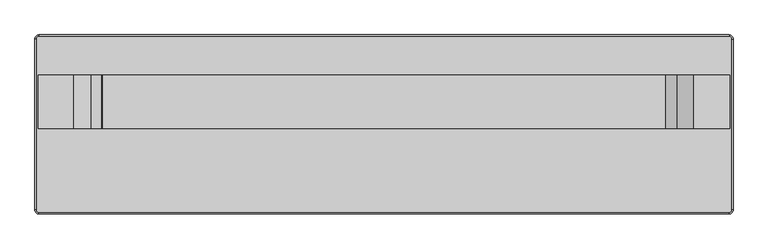
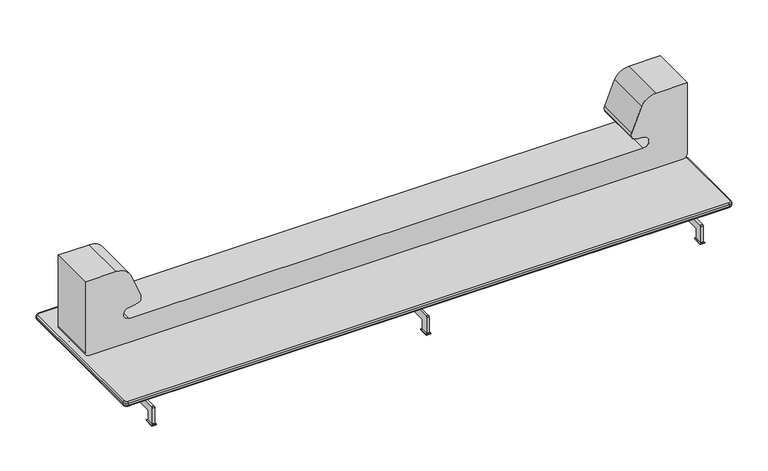
"""IFC4 building model written with IfcOpenShell, lengths in millimetres: furniture geometry."""

from ifc_helpers import new_model, si_unit, point, frame, frame_2d, origin, origin_with_axes, place, context, project, spatial, polyline, circle_curve, ellipse_curve, trimmed, segment, composite_curve, outline, extrude, source, transform, mapped, element, save
from ifc_brep_helpers import plane_surface, cylinder_surface, revolved_surface, advanced_brep


def furniture_a4d07862(model_context):
    return source(origin(), model_context, "Body", "SolidModel", [
        extrude(outline(polyline([(12.7307251, 403.9949168), (12.7307251, 352.0034294), (-11.2692504, 352.0034294), (-11.2692504, 403.9949168), (12.7307251, 403.9949168)])), origin_with_axes(), (0.0, 0.0, 1.0), 5.0),
        extrude(outline(polyline([(12.7307251, -417.9777726), (-11.2692504, -417.9777726), (-11.2692504, -365.9862852), (12.7307251, -365.9862852), (12.7307251, -417.9777726)])), origin_with_axes(), (0.0, 0.0, 1.0), 5.0),
        extrude(outline(composite_curve([segment(trimmed(circle_curve(frame_2d((-276.3620737, 104.9874953)), 5.0), [point((-276.3620737, 99.9874953))], [point((-271.3620737, 104.9874953))], True, "CARTESIAN"), True, "CONTINUOUS"), segment(polyline([(-271.3620737, 104.9874953), (-271.3620737, 158.854696), (238.6351829, 158.854696), (238.6351829, 104.9874953)]), True, "CONTINUOUS"), segment(trimmed(circle_curve(frame_2d((243.6351829, 104.9874953)), 5.0), [point((238.6351829, 104.9874953))], [point((243.6351829, 99.9874953))], True, "CARTESIAN"), True, "CONTINUOUS"), segment(polyline([(243.6351829, 99.9874953), (393.6413141, 99.9874953)]), True, "CONTINUOUS"), segment(trimmed(circle_curve(frame_2d((393.6413141, 94.9874953)), 5.0), [point((393.6413141, 99.9874953))], [point((398.6413141, 94.9874953))], False, "CARTESIAN"), True, "CONTINUOUS"), segment(polyline([(398.6413141, 94.9874953), (398.6413141, 5.0)]), True, "CONTINUOUS"), segment(trimmed(circle_curve(frame_2d((393.6413141, 5.0)), 5.0), [point((398.6413141, 5.0))], [point((393.6413141, 0.0))], False, "CARTESIAN"), True, "CONTINUOUS"), segment(polyline([(393.6413141, 0.0), (363.6413141, 0.0)]), True, "CONTINUOUS"), segment(trimmed(circle_curve(frame_2d((363.6413141, 5.0)), 5.0), [point((363.6413141, 0.0))], [point((358.6413141, 5.0))], False, "CARTESIAN"), True, "CONTINUOUS"), segment(polyline([(358.6413141, 5.0), (358.6413141, 54.9883827)]), True, "CONTINUOUS"), segment(trimmed(circle_curve(frame_2d((353.6413141, 54.9883827)), 5.0), [point((358.6413141, 54.9883827))], [point((353.6413141, 59.9883827))], True, "CARTESIAN"), True, "CONTINUOUS"), segment(polyline([(353.6413141, 59.9883827), (-366.9807583, 59.9883827)]), True, "CONTINUOUS"), segment(trimmed(circle_curve(frame_2d((-366.9807583, 54.9883827)), 5.0), [point((-366.9807583, 59.9883827))], [point((-371.9807583, 54.9883827))], True, "CARTESIAN"), True, "CONTINUOUS"), segment(polyline([(-371.9807583, 54.9883827), (-371.9807583, 5.0)]), True, "CONTINUOUS"), segment(trimmed(circle_curve(frame_2d((-376.9807583, 5.0)), 5.0), [point((-371.9807583, 5.0))], [point((-376.9807583, 0.0))], False, "CARTESIAN"), True, "CONTINUOUS"), segment(polyline([(-376.9807583, 0.0), (-406.9832995, 0.0)]), True, "CONTINUOUS"), segment(trimmed(circle_curve(frame_2d((-406.9832995, 5.0)), 5.0), [point((-406.9832995, 0.0))], [point((-411.9832995, 5.0))], False, "CARTESIAN"), True, "CONTINUOUS"), segment(polyline([(-411.9832995, 5.0), (-411.9832995, 94.9874953)]), True, "CONTINUOUS"), segment(trimmed(circle_curve(frame_2d((-406.9832995, 94.9874953)), 5.0), [point((-411.9832995, 94.9874953))], [point((-406.9832995, 99.9874953))], False, "CARTESIAN"), True, "CONTINUOUS"), segment(polyline([(-406.9832995, 99.9874953), (-276.3620737, 99.9874953)]), True, "CONTINUOUS")], self_intersect=False)), frame((-5.2692627, 0.0, 0.0), z_axis=(1.0, 0.0, 0.0), x_axis=(0.0, 1.0, 0.0)), (0.0, 0.0, 1.0), 12.0),
        extrude(outline(polyline([(-1476.6700612, 403.9949168), (-1452.6700856, 403.9949168), (-1452.6700856, 352.0034294), (-1476.6700612, 352.0034294), (-1476.6700612, 403.9949168)])), origin_with_axes(), (0.0, 0.0, 1.0), 5.0),
        extrude(outline(polyline([(-1476.6700612, -417.9777726), (-1476.6700612, -365.9862852), (-1452.6700856, -365.9862852), (-1452.6700856, -417.9777726), (-1476.6700612, -417.9777726)])), origin_with_axes(), (0.0, 0.0, 1.0), 5.0),
        extrude(outline(composite_curve([segment(trimmed(circle_curve(frame_2d((-276.3620737, 104.9874953)), 5.0), [point((-276.3620737, 99.9874953))], [point((-271.3620737, 104.9874953))], True, "CARTESIAN"), True, "CONTINUOUS"), segment(polyline([(-271.3620737, 104.9874953), (-271.3620737, 158.854696), (238.6351829, 158.854696), (238.6351829, 104.9874953)]), True, "CONTINUOUS"), segment(trimmed(circle_curve(frame_2d((243.6351829, 104.9874953)), 5.0), [point((238.6351829, 104.9874953))], [point((243.6351829, 99.9874953))], True, "CARTESIAN"), True, "CONTINUOUS"), segment(polyline([(243.6351829, 99.9874953), (393.6413141, 99.9874953)]), True, "CONTINUOUS"), segment(trimmed(circle_curve(frame_2d((393.6413141, 94.9874953)), 5.0), [point((393.6413141, 99.9874953))], [point((398.6413141, 94.9874953))], False, "CARTESIAN"), True, "CONTINUOUS"), segment(polyline([(398.6413141, 94.9874953), (398.6413141, 5.0)]), True, "CONTINUOUS"), segment(trimmed(circle_curve(frame_2d((393.6413141, 5.0)), 5.0), [point((398.6413141, 5.0))], [point((393.6413141, 0.0))], False, "CARTESIAN"), True, "CONTINUOUS"), segment(polyline([(393.6413141, 0.0), (363.6413141, 0.0)]), True, "CONTINUOUS"), segment(trimmed(circle_curve(frame_2d((363.6413141, 5.0)), 5.0), [point((363.6413141, 0.0))], [point((358.6413141, 5.0))], False, "CARTESIAN"), True, "CONTINUOUS"), segment(polyline([(358.6413141, 5.0), (358.6413141, 54.9883827)]), True, "CONTINUOUS"), segment(trimmed(circle_curve(frame_2d((353.6413141, 54.9883827)), 5.0), [point((358.6413141, 54.9883827))], [point((353.6413141, 59.9883827))], True, "CARTESIAN"), True, "CONTINUOUS"), segment(polyline([(353.6413141, 59.9883827), (-366.9807583, 59.9883827)]), True, "CONTINUOUS"), segment(trimmed(circle_curve(frame_2d((-366.9807583, 54.9883827)), 5.0), [point((-366.9807583, 59.9883827))], [point((-371.9807583, 54.9883827))], True, "CARTESIAN"), True, "CONTINUOUS"), segment(polyline([(-371.9807583, 54.9883827), (-371.9807583, 5.0)]), True, "CONTINUOUS"), segment(trimmed(circle_curve(frame_2d((-376.9807583, 5.0)), 5.0), [point((-371.9807583, 5.0))], [point((-376.9807583, 0.0))], False, "CARTESIAN"), True, "CONTINUOUS"), segment(polyline([(-376.9807583, 0.0), (-406.9832995, 0.0)]), True, "CONTINUOUS"), segment(trimmed(circle_curve(frame_2d((-406.9832995, 5.0)), 5.0), [point((-406.9832995, 0.0))], [point((-411.9832995, 5.0))], False, "CARTESIAN"), True, "CONTINUOUS"), segment(polyline([(-411.9832995, 5.0), (-411.9832995, 94.9874953)]), True, "CONTINUOUS"), segment(trimmed(circle_curve(frame_2d((-406.9832995, 94.9874953)), 5.0), [point((-411.9832995, 94.9874953))], [point((-406.9832995, 99.9874953))], False, "CARTESIAN"), True, "CONTINUOUS"), segment(polyline([(-406.9832995, 99.9874953), (-276.3620737, 99.9874953)]), True, "CONTINUOUS")], self_intersect=False)), frame((-1470.6700734, 0.0, 0.0), z_axis=(1.0, 0.0, 0.0), x_axis=(0.0, 1.0, 0.0)), (0.0, 0.0, 1.0), 12.0),
        extrude(outline(polyline([(1476.6700612, 403.9949168), (1476.6700612, 352.0034294), (1452.6700856, 352.0034294), (1452.6700856, 403.9949168), (1476.6700612, 403.9949168)])), origin_with_axes(), (0.0, 0.0, 1.0), 5.0),
        extrude(outline(polyline([(1476.6700612, -417.9777726), (1452.6700856, -417.9777726), (1452.6700856, -365.9862852), (1476.6700612, -365.9862852), (1476.6700612, -417.9777726)])), origin_with_axes(), (0.0, 0.0, 1.0), 5.0),
        extrude(outline(composite_curve([segment(trimmed(circle_curve(frame_2d((-276.3620737, 104.9874953)), 5.0), [point((-276.3620737, 99.9874953))], [point((-271.3620737, 104.9874953))], True, "CARTESIAN"), True, "CONTINUOUS"), segment(polyline([(-271.3620737, 104.9874953), (-271.3620737, 158.854696), (238.6351829, 158.854696), (238.6351829, 104.9874953)]), True, "CONTINUOUS"), segment(trimmed(circle_curve(frame_2d((243.6351829, 104.9874953)), 5.0), [point((238.6351829, 104.9874953))], [point((243.6351829, 99.9874953))], True, "CARTESIAN"), True, "CONTINUOUS"), segment(polyline([(243.6351829, 99.9874953), (393.6413141, 99.9874953)]), True, "CONTINUOUS"), segment(trimmed(circle_curve(frame_2d((393.6413141, 94.9874953)), 5.0), [point((393.6413141, 99.9874953))], [point((398.6413141, 94.9874953))], False, "CARTESIAN"), True, "CONTINUOUS"), segment(polyline([(398.6413141, 94.9874953), (398.6413141, 5.0)]), True, "CONTINUOUS"), segment(trimmed(circle_curve(frame_2d((393.6413141, 5.0)), 5.0), [point((398.6413141, 5.0))], [point((393.6413141, 0.0))], False, "CARTESIAN"), True, "CONTINUOUS"), segment(polyline([(393.6413141, 0.0), (363.6413141, 0.0)]), True, "CONTINUOUS"), segment(trimmed(circle_curve(frame_2d((363.6413141, 5.0)), 5.0), [point((363.6413141, 0.0))], [point((358.6413141, 5.0))], False, "CARTESIAN"), True, "CONTINUOUS"), segment(polyline([(358.6413141, 5.0), (358.6413141, 54.9883827)]), True, "CONTINUOUS"), segment(trimmed(circle_curve(frame_2d((353.6413141, 54.9883827)), 5.0), [point((358.6413141, 54.9883827))], [point((353.6413141, 59.9883827))], True, "CARTESIAN"), True, "CONTINUOUS"), segment(polyline([(353.6413141, 59.9883827), (-366.9807583, 59.9883827)]), True, "CONTINUOUS"), segment(trimmed(circle_curve(frame_2d((-366.9807583, 54.9883827)), 5.0), [point((-366.9807583, 59.9883827))], [point((-371.9807583, 54.9883827))], True, "CARTESIAN"), True, "CONTINUOUS"), segment(polyline([(-371.9807583, 54.9883827), (-371.9807583, 5.0)]), True, "CONTINUOUS"), segment(trimmed(circle_curve(frame_2d((-376.9807583, 5.0)), 5.0), [point((-371.9807583, 5.0))], [point((-376.9807583, 0.0))], False, "CARTESIAN"), True, "CONTINUOUS"), segment(polyline([(-376.9807583, 0.0), (-406.9832995, 0.0)]), True, "CONTINUOUS"), segment(trimmed(circle_curve(frame_2d((-406.9832995, 5.0)), 5.0), [point((-406.9832995, 0.0))], [point((-411.9832995, 5.0))], False, "CARTESIAN"), True, "CONTINUOUS"), segment(polyline([(-411.9832995, 5.0), (-411.9832995, 94.9874953)]), True, "CONTINUOUS"), segment(trimmed(circle_curve(frame_2d((-406.9832995, 94.9874953)), 5.0), [point((-411.9832995, 94.9874953))], [point((-406.9832995, 99.9874953))], False, "CARTESIAN"), True, "CONTINUOUS"), segment(polyline([(-406.9832995, 99.9874953), (-276.3620737, 99.9874953)]), True, "CONTINUOUS")], self_intersect=False)), frame((1458.6700734, 0.0, 0.0), z_axis=(1.0, 0.0, 0.0), x_axis=(0.0, 1.0, 0.0)), (0.0, 0.0, 1.0), 12.0),
        advanced_brep(
        [(1604.6700734, -417.2694478, 158.8040803), (-1604.7, -417.2694478, 158.8040803), (-1616.2, -405.7694478, 158.8040803), (-1616.2, 391.2305522, 158.8040803), (-1604.7, 402.7305522, 158.8040803), (1604.6700734, 402.7305522, 158.8040803), (1616.1700734, 391.2305522, 158.8040803), (1616.1700734, -405.7694478, 158.8040803), (1616.1700734, -405.7694478, 185.0), (1616.1700734, 391.2305522, 185.0), (1604.6700734, 402.7305522, 185.0), (-1604.7, 402.7305522, 185.0), (-1616.2, 391.2305522, 185.0), (-1616.2, -405.7694478, 185.0), (-1604.7, -417.2694478, 185.0), (1604.6700734, -417.2694478, 185.0), (1604.6700734, -424.7694478, 166.3040803), (1623.6700734, -405.7694478, 166.3040803), (1623.6700734, -405.7694478, 177.5), (1604.6700734, -424.7694478, 177.5), (-1604.7, -424.7694478, 166.3040803), (-1604.7, -424.7694478, 177.5), (-1623.7, -405.7694478, 166.3040803), (-1623.7, -405.7694478, 177.5), (-1623.7, 391.2305522, 166.3040803), (-1623.7, 391.2305522, 177.5), (-1604.7, 410.2305522, 166.3040803), (-1604.7, 410.2305522, 177.5), (1604.6700734, 410.2305522, 166.3040803), (1604.6700734, 410.2305522, 177.5), (1623.6700734, 391.2305522, 166.3040803), (1623.6700734, 391.2305522, 177.5)],
        [
            (0, 1),
            (1, 2, circle_curve(frame((-1604.7, -405.7694478, 158.8040803), z_axis=(0.0, 0.0, -1.0), x_axis=(0.0, -1.0, 0.0)), 11.5)),
            (2, 3),
            (3, 4, circle_curve(frame((-1604.7, 391.2305522, 158.8040803), z_axis=(0.0, 0.0, -1.0), x_axis=(-1.0, 0.0, 0.0)), 11.5)),
            (4, 5),
            (5, 6, circle_curve(frame((1604.6700734, 391.2305522, 158.8040803), z_axis=(0.0, 0.0, -1.0), x_axis=(0.0, 1.0, 0.0)), 11.5)),
            (6, 7),
            (7, 0, circle_curve(frame((1604.6700734, -405.7694478, 158.8040803), z_axis=(0.0, 0.0, -1.0), x_axis=(1.0, 0.0, 0.0)), 11.5)),
            (8, 9),
            (9, 10, circle_curve(frame((1604.6700734, 391.2305522, 185.0), z_axis=(0.0, 0.0, 1.0), x_axis=(0.0, 1.0, 0.0)), 11.5)),
            (10, 11),
            (11, 12, circle_curve(frame((-1604.7, 391.2305522, 185.0), z_axis=(0.0, 0.0, 1.0), x_axis=(-1.0, 0.0, 0.0)), 11.5)),
            (12, 13),
            (13, 14, circle_curve(frame((-1604.7, -405.7694478, 185.0), z_axis=(0.0, 0.0, 1.0), x_axis=(0.0, -1.0, 0.0)), 11.5)),
            (14, 15),
            (15, 8, circle_curve(frame((1604.6700734, -405.7694478, 185.0), z_axis=(0.0, 0.0, 1.0), x_axis=(1.0, 0.0, 0.0)), 11.5)),
            (16, 0, circle_curve(frame((1604.6700734, -417.2694478, 166.3040803), z_axis=(1.0, 0.0, 0.0), x_axis=(0.0, 1.0, 0.0)), 7.5)),
            (7, 17, circle_curve(frame((1616.1700734, -405.7694478, 166.3040803), z_axis=(0.0, -1.0, 0.0), x_axis=(-1.0, 0.0, 0.0)), 7.5)),
            (17, 16, circle_curve(frame((1604.6700734, -405.7694478, 166.3040803), z_axis=(0.0, 0.0, -1.0), x_axis=(1.0, 0.0, 0.0)), 19.0)),
            (17, 18),
            (18, 19, circle_curve(frame((1604.6700734, -405.7694478, 177.5), z_axis=(0.0, 0.0, -1.0), x_axis=(1.0, 0.0, 0.0)), 19.0)),
            (19, 16),
            (18, 8, circle_curve(frame((1616.1700734, -405.7694478, 177.5), z_axis=(0.0, -1.0, 0.0), x_axis=(-1.0, 0.0, 0.0)), 7.5)),
            (15, 19, circle_curve(frame((1604.6700734, -417.2694478, 177.5), z_axis=(1.0, 0.0, 0.0), x_axis=(0.0, 1.0, 0.0)), 7.5)),
            (16, 20),
            (20, 1, circle_curve(frame((-1604.7, -417.2694478, 166.3040803), z_axis=(1.0, 0.0, 0.0), x_axis=(0.0, 1.0, 0.0)), 7.5)),
            (19, 21),
            (21, 20),
            (14, 21, circle_curve(frame((-1604.7, -417.2694478, 177.5), z_axis=(1.0, 0.0, 0.0), x_axis=(0.0, 1.0, 0.0)), 7.5)),
            (20, 22, circle_curve(frame((-1604.7, -405.7694478, 166.3040803), z_axis=(0.0, 0.0, -1.0), x_axis=(0.0, -1.0, 0.0)), 19.0)),
            (22, 2, circle_curve(frame((-1616.2, -405.7694478, 166.3040803), z_axis=(0.0, -1.0, 0.0), x_axis=(1.0, 0.0, 0.0)), 7.5)),
            (21, 23, circle_curve(frame((-1604.7, -405.7694478, 177.5), z_axis=(0.0, 0.0, -1.0), x_axis=(0.0, -1.0, 0.0)), 19.0)),
            (23, 22),
            (13, 23, circle_curve(frame((-1616.2, -405.7694478, 177.5), z_axis=(0.0, -1.0, 0.0), x_axis=(1.0, 0.0, 0.0)), 7.5)),
            (22, 24),
            (24, 3, circle_curve(frame((-1616.2, 391.2305522, 166.3040803), z_axis=(0.0, -1.0, 0.0), x_axis=(1.0, 0.0, 0.0)), 7.5)),
            (23, 25),
            (25, 24),
            (12, 25, circle_curve(frame((-1616.2, 391.2305522, 177.5), z_axis=(0.0, -1.0, 0.0), x_axis=(1.0, 0.0, 0.0)), 7.5)),
            (24, 26, circle_curve(frame((-1604.7, 391.2305522, 166.3040803), z_axis=(0.0, 0.0, -1.0), x_axis=(-1.0, 0.0, 0.0)), 19.0)),
            (26, 4, circle_curve(frame((-1604.7, 402.7305522, 166.3040803), z_axis=(-1.0, 0.0, 0.0), x_axis=(0.0, -1.0, 0.0)), 7.5)),
            (25, 27, circle_curve(frame((-1604.7, 391.2305522, 177.5), z_axis=(0.0, 0.0, -1.0), x_axis=(-1.0, 0.0, 0.0)), 19.0)),
            (27, 26),
            (11, 27, circle_curve(frame((-1604.7, 402.7305522, 177.5), z_axis=(-1.0, 0.0, 0.0), x_axis=(0.0, -1.0, 0.0)), 7.5)),
            (26, 28),
            (28, 5, circle_curve(frame((1604.6700734, 402.7305522, 166.3040803), z_axis=(-1.0, 0.0, 0.0), x_axis=(0.0, -1.0, 0.0)), 7.5)),
            (27, 29),
            (29, 28),
            (10, 29, circle_curve(frame((1604.6700734, 402.7305522, 177.5), z_axis=(-1.0, 0.0, 0.0), x_axis=(0.0, -1.0, 0.0)), 7.5)),
            (28, 30, circle_curve(frame((1604.6700734, 391.2305522, 166.3040803), z_axis=(0.0, 0.0, -1.0), x_axis=(0.0, 1.0, 0.0)), 19.0)),
            (30, 6, circle_curve(frame((1616.1700734, 391.2305522, 166.3040803), z_axis=(0.0, 1.0, 0.0), x_axis=(-1.0, 0.0, 0.0)), 7.5)),
            (29, 31, circle_curve(frame((1604.6700734, 391.2305522, 177.5), z_axis=(0.0, 0.0, -1.0), x_axis=(0.0, 1.0, 0.0)), 19.0)),
            (31, 30),
            (9, 31, circle_curve(frame((1616.1700734, 391.2305522, 177.5), z_axis=(0.0, 1.0, 0.0), x_axis=(-1.0, 0.0, 0.0)), 7.5)),
            (30, 17),
            (31, 18),
        ],
        [
            plane_surface(frame((-1600.7, -405.7694478, 158.8040803), z_axis=(0.0, 0.0, -1.0), x_axis=(0.0, 1.0, 0.0))),
            plane_surface(frame((-1600.7, -405.7694478, 185.0), z_axis=(0.0, 0.0, 1.0), x_axis=(0.0, -1.0, 0.0))),
            revolved_surface(trimmed(ellipse_curve(frame((1616.1700734, -405.7694478, 166.3040803), z_axis=(0.0, -1.0, 0.0), x_axis=(-1.0, 0.0, 0.0)), 7.5, 7.5), [point((1616.1700734, -405.7694478, 158.8040803))], [point((1623.6700734, -405.7694478, 166.3040803))], True, "CARTESIAN"), (1604.6700734, -405.7694478, 185.0), (0.0, 0.0, 1.0)),
            cylinder_surface(frame((1604.6700734, -405.7694478, 185.0), z_axis=(0.0, 0.0, 1.0), x_axis=(1.0, 0.0, 0.0)), 19.0),
            revolved_surface(trimmed(ellipse_curve(frame((1616.1700734, -405.7694478, 177.5), z_axis=(0.0, -1.0, 0.0), x_axis=(-1.0, 0.0, 0.0)), 7.5, 7.5), [point((1623.6700734, -405.7694478, 177.5))], [point((1616.1700734, -405.7694478, 185.0))], True, "CARTESIAN"), (1604.6700734, -405.7694478, 185.0), (0.0, 0.0, 1.0)),
            cylinder_surface(frame((1604.6700734, -417.2694478, 166.3040803), z_axis=(1.0, 0.0, 0.0), x_axis=(0.0, 1.0, 0.0)), 7.5),
            plane_surface(frame((1604.6700734, -424.7694478, 166.3040803), z_axis=(0.0, -1.0, 0.0), x_axis=(-1.0, 0.0, 0.0))),
            cylinder_surface(frame((1604.6700734, -417.2694478, 177.5), z_axis=(1.0, 0.0, 0.0), x_axis=(0.0, 1.0, 0.0)), 7.5),
            revolved_surface(trimmed(ellipse_curve(frame((-1604.7, -417.2694478, 166.3040803), z_axis=(-1.0, 0.0, 0.0), x_axis=(0.0, 1.0, 0.0)), 7.5, 7.5), [point((-1604.7, -417.2694478, 158.8040803))], [point((-1604.7, -424.7694478, 166.3040803))], True, "CARTESIAN"), (-1604.7, -405.7694478, 185.0), (0.0, 0.0, 1.0)),
            cylinder_surface(frame((-1604.7, -405.7694478, 185.0), z_axis=(0.0, 0.0, 1.0), x_axis=(0.0, -1.0, 0.0)), 19.0),
            revolved_surface(trimmed(ellipse_curve(frame((-1604.7, -417.2694478, 177.5), z_axis=(-1.0, 0.0, 0.0), x_axis=(0.0, 1.0, 0.0)), 7.5, 7.5), [point((-1604.7, -424.7694478, 177.5))], [point((-1604.7, -417.2694478, 185.0))], True, "CARTESIAN"), (-1604.7, -405.7694478, 185.0), (0.0, 0.0, 1.0)),
            cylinder_surface(frame((-1616.2, -405.7694478, 166.3040803), z_axis=(0.0, -1.0, 0.0), x_axis=(1.0, 0.0, 0.0)), 7.5),
            plane_surface(frame((-1623.7, -405.7694478, 166.3040803), z_axis=(-1.0, 0.0, 0.0), x_axis=(0.0, 1.0, 0.0))),
            cylinder_surface(frame((-1616.2, -405.7694478, 177.5), z_axis=(0.0, -1.0, 0.0), x_axis=(1.0, 0.0, 0.0)), 7.5),
            revolved_surface(trimmed(ellipse_curve(frame((-1616.2, 391.2305522, 166.3040803), z_axis=(0.0, 1.0, 0.0), x_axis=(1.0, 0.0, 0.0)), 7.5, 7.5), [point((-1616.2, 391.2305522, 158.8040803))], [point((-1623.7, 391.2305522, 166.3040803))], True, "CARTESIAN"), (-1604.7, 391.2305522, 185.0), (0.0, 0.0, 1.0)),
            cylinder_surface(frame((-1604.7, 391.2305522, 185.0), z_axis=(0.0, 0.0, 1.0), x_axis=(-1.0, 0.0, 0.0)), 19.0),
            revolved_surface(trimmed(ellipse_curve(frame((-1616.2, 391.2305522, 177.5), z_axis=(0.0, 1.0, 0.0), x_axis=(1.0, 0.0, 0.0)), 7.5, 7.5), [point((-1623.7, 391.2305522, 177.5))], [point((-1616.2, 391.2305522, 185.0))], True, "CARTESIAN"), (-1604.7, 391.2305522, 185.0), (0.0, 0.0, 1.0)),
            cylinder_surface(frame((-1604.7, 402.7305522, 166.3040803), z_axis=(-1.0, 0.0, 0.0), x_axis=(0.0, -1.0, 0.0)), 7.5),
            plane_surface(frame((-1604.7, 410.2305522, 166.3040803), z_axis=(0.0, 1.0, 0.0), x_axis=(1.0, 0.0, 0.0))),
            cylinder_surface(frame((-1604.7, 402.7305522, 177.5), z_axis=(-1.0, 0.0, 0.0), x_axis=(0.0, -1.0, 0.0)), 7.5),
            revolved_surface(trimmed(ellipse_curve(frame((1604.6700734, 402.7305522, 166.3040803), z_axis=(1.0, 0.0, 0.0), x_axis=(0.0, -1.0, 0.0)), 7.5, 7.5), [point((1604.6700734, 402.7305522, 158.8040803))], [point((1604.6700734, 410.2305522, 166.3040803))], True, "CARTESIAN"), (1604.6700734, 391.2305522, 185.0), (0.0, 0.0, 1.0)),
            cylinder_surface(frame((1604.6700734, 391.2305522, 185.0), z_axis=(0.0, 0.0, 1.0), x_axis=(0.0, 1.0, 0.0)), 19.0),
            revolved_surface(trimmed(ellipse_curve(frame((1604.6700734, 402.7305522, 177.5), z_axis=(1.0, 0.0, 0.0), x_axis=(0.0, -1.0, 0.0)), 7.5, 7.5), [point((1604.6700734, 410.2305522, 177.5))], [point((1604.6700734, 402.7305522, 185.0))], True, "CARTESIAN"), (1604.6700734, 391.2305522, 185.0), (0.0, 0.0, 1.0)),
            cylinder_surface(frame((1616.1700734, 391.2305522, 166.3040803), z_axis=(0.0, 1.0, 0.0), x_axis=(-1.0, 0.0, 0.0)), 7.5),
            plane_surface(frame((1623.6700734, 391.2305522, 166.3040803), z_axis=(1.0, 0.0, 0.0), x_axis=(0.0, -1.0, 0.0))),
            cylinder_surface(frame((1616.1700734, 391.2305522, 177.5), z_axis=(0.0, 1.0, 0.0), x_axis=(-1.0, 0.0, 0.0)), 7.5),
        ],
        [
            (0, [[1, 2, 3, 4, 5, 6, 7, 8]]),
            (1, [[9, 10, 11, 12, 13, 14, 15, 16]]),
            (2, [[17, -8, 18, 19]]),
            (3, [[20, 21, 22, -19]]),
            (4, [[23, -16, 24, -21]]),
            (5, [[25, 26, -1, -17]]),
            (6, [[27, 28, -25, -22]]),
            (7, [[-15, 29, -27, -24]]),
            (8, [[30, 31, -2, -26]]),
            (9, [[32, 33, -30, -28]]),
            (10, [[-14, 34, -32, -29]]),
            (11, [[35, 36, -3, -31]]),
            (12, [[37, 38, -35, -33]]),
            (13, [[-13, 39, -37, -34]]),
            (14, [[40, 41, -4, -36]]),
            (15, [[42, 43, -40, -38]]),
            (16, [[-12, 44, -42, -39]]),
            (17, [[45, 46, -5, -41]]),
            (18, [[47, 48, -45, -43]]),
            (19, [[-11, 49, -47, -44]]),
            (20, [[50, 51, -6, -46]]),
            (21, [[52, 53, -50, -48]]),
            (22, [[-10, 54, -52, -49]]),
            (23, [[-7, -51, 55, -18]]),
            (24, [[-55, -53, 56, -20]]),
            (25, [[-56, -54, -9, -23]]),
        ],
    ),
        advanced_brep(
        [(-1607.6519559, 223.2148915, 623.95198), (-1441.999814, 223.2148915, 623.95198), (-1364.6098701, 223.2148915, 576.7506946), (-1311.7457101, 223.2148915, 442.512811), (-1311.7457101, 223.2148915, 418.2736968), (-1319.890006, 223.2148915, 408.9062027), (-1373.101505, 223.2148915, 397.7216312), (-1373.101505, 223.2148915, 335.625543), (1372.8945171, 223.2148915, 335.625543), (1372.8945171, 223.2148915, 397.7216312), (1319.6802298, 223.2148915, 408.9074294), (1311.5387222, 223.2148915, 418.2736968), (1311.5387222, 223.2148915, 442.512811), (1364.4028822, 223.2148915, 576.7506946), (1441.7928262, 223.2148915, 623.95198), (1607.4449681, 223.2148915, 623.95198), (1607.4449681, 223.2148915, 222.8204468), (1585.6725653, 223.2148915, 201.0480441), (-1585.8795532, 223.2148915, 201.0480441), (-1607.6519559, 223.2148915, 222.8204468), (-1607.6519559, -26.7851085, 623.95198), (-1607.6519559, -26.7851085, 222.8204468), (-1585.8795532, -26.7851085, 201.0480441), (1585.6725653, -26.7851085, 201.0480441), (1607.4449681, -26.7851085, 222.8204468), (1607.4449681, -26.7851085, 623.95198), (1441.7928262, -26.7851085, 623.95198), (1364.4028822, -26.7851085, 576.7506946), (1311.5387222, -26.7851085, 442.512811), (1311.5387222, -26.7851085, 418.2736968), (1319.6830182, -26.7851085, 408.9062027), (1372.8945171, -26.7851085, 397.7216312), (1372.8945171, -26.7851085, 335.625543), (-1373.101505, -26.7851085, 335.625543), (-1373.101505, -26.7851085, 397.7216312), (-1319.8927946, -26.7851085, 408.9049766), (-1311.7457101, -26.7851085, 418.2736968), (-1311.7457101, -26.7851085, 442.512811), (-1364.6098701, -26.7851085, 576.7506946), (-1441.999814, -26.7851085, 623.95198)],
        [
            (0, 1),
            (1, 2, circle_curve(frame((-1441.999814, 223.2148915, 536.9081136), z_axis=(0.0, 1.0, 0.0), x_axis=(0.8890912952620602, 0.0, 0.45772990801260977)), 87.0438664)),
            (2, 3, circle_curve(frame((-2005.2358053, 223.2148915, 246.9379386), z_axis=(0.0, 1.0, 0.0), x_axis=(0.9624587034663644, 0.0, 0.2714281564647354)), 720.540105)),
            (3, 4, circle_curve(frame((-1354.720519, 223.2148915, 430.3932539), z_axis=(0.0, 1.0, 0.0), x_axis=(0.9624587034664223, 0.0, -0.2714281564645303)), 44.6510679)),
            (4, 5, circle_curve(frame((-1325.7465264, 223.2148915, 422.2221424), z_axis=(0.0, 1.0, 0.0), x_axis=(0.40245505113263247, 0.0, -0.9154397477812674)), 14.5469269)),
            (5, 6, circle_curve(frame((-1373.101505, 223.2148915, 529.8929075), z_axis=(0.0, 1.0, 0.0), x_axis=(2.307809158910861e-12, 0.0, -1.0)), 132.1712763)),
            (6, 7, circle_curve(frame((-1373.101505, 223.2148915, 366.6735871), z_axis=(0.0, -1.0, 0.0), x_axis=(0.0, 0.0, -1.0)), 31.0480441)),
            (7, 8),
            (8, 9, circle_curve(frame((1372.8945171, 223.2148915, 366.6735871), z_axis=(0.0, -1.0, 0.0), x_axis=(0.0, 0.0, 1.0)), 31.0480441)),
            (9, 10, circle_curve(frame((1372.8945171, 223.2148915, 529.8929075), z_axis=(0.0, 1.0, 0.0), x_axis=(-0.4025950294069417, 0.0, -0.9153781963193267)), 132.1712763)),
            (10, 11, circle_curve(frame((1325.5395386, 223.2148915, 422.2221424), z_axis=(0.0, 1.0, 0.0), x_axis=(-0.9624587034664259, 0.0, -0.27142815646451735)), 14.5469269)),
            (11, 12, circle_curve(frame((1354.5135312, 223.2148915, 430.3932539), z_axis=(0.0, 1.0, 0.0), x_axis=(-0.9624587034663408, 0.0, 0.2714281564648195)), 44.6510679)),
            (12, 13, circle_curve(frame((2005.0288175, 223.2148915, 246.9379386), z_axis=(0.0, 1.0, 0.0), x_axis=(-0.8890912952620775, 0.0, 0.457729908012576)), 720.540105)),
            (13, 14, circle_curve(frame((1441.7928262, 223.2148915, 536.9081136), z_axis=(0.0, 1.0, 0.0), x_axis=(0.0, 0.0, 1.0)), 87.0438664)),
            (14, 15),
            (15, 16),
            (16, 17, circle_curve(frame((1585.6725653, 223.2148915, 222.8204468), z_axis=(0.0, 1.0, 0.0), x_axis=(0.0, 0.0, -1.0)), 21.7724028)),
            (17, 18),
            (18, 19, circle_curve(frame((-1585.8795532, 223.2148915, 222.8204468), z_axis=(0.0, 1.0, 0.0), x_axis=(-1.0, 0.0, 0.0)), 21.7724028)),
            (19, 0),
            (20, 21),
            (21, 22, circle_curve(frame((-1585.8795532, -26.7851085, 222.8204468), z_axis=(0.0, -1.0, 0.0), x_axis=(-1.0, 0.0, 0.0)), 21.7724028)),
            (22, 23),
            (23, 24, circle_curve(frame((1585.6725653, -26.7851085, 222.8204468), z_axis=(0.0, -1.0, 0.0), x_axis=(0.0, 0.0, -1.0)), 21.7724028)),
            (24, 25),
            (25, 26),
            (26, 27, circle_curve(frame((1441.7928262, -26.7851085, 536.9081136), z_axis=(0.0, -1.0, 0.0), x_axis=(0.0, 0.0, 1.0)), 87.0438664)),
            (27, 28, circle_curve(frame((2005.0288175, -26.7851085, 246.9379386), z_axis=(0.0, -1.0, 0.0), x_axis=(-0.8890912952620775, 0.0, 0.457729908012576)), 720.540105)),
            (28, 29, circle_curve(frame((1354.5135312, -26.7851085, 430.3932539), z_axis=(0.0, -1.0, 0.0), x_axis=(-0.9624587034663408, 0.0, 0.2714281564648195)), 44.6510679)),
            (29, 30, circle_curve(frame((1325.5395386, -26.7851085, 422.2221424), z_axis=(0.0, -1.0, 0.0), x_axis=(-0.9624587034664259, 0.0, -0.27142815646451735)), 14.5469269)),
            (30, 31, circle_curve(frame((1372.8945171, -26.7851085, 529.8929075), z_axis=(0.0, -1.0, 0.0), x_axis=(-0.4025950294069417, 0.0, -0.9153781963193267)), 132.1712763)),
            (31, 32, circle_curve(frame((1372.8945171, -26.7851085, 366.6735871), z_axis=(0.0, 1.0, 0.0), x_axis=(0.0, 0.0, 1.0)), 31.0480441)),
            (32, 33),
            (33, 34, circle_curve(frame((-1373.101505, -26.7851085, 366.6735871), z_axis=(0.0, 1.0, 0.0), x_axis=(0.0, 0.0, -1.0)), 31.0480441)),
            (34, 35, circle_curve(frame((-1373.101505, -26.7851085, 529.8929075), z_axis=(0.0, -1.0, 0.0), x_axis=(2.307809158910861e-12, 0.0, -1.0)), 132.1712763)),
            (35, 36, circle_curve(frame((-1325.7465264, -26.7851085, 422.2221424), z_axis=(0.0, -1.0, 0.0), x_axis=(0.40245505113263247, 0.0, -0.9154397477812674)), 14.5469269)),
            (36, 37, circle_curve(frame((-1354.720519, -26.7851085, 430.3932539), z_axis=(0.0, -1.0, 0.0), x_axis=(0.9624587034664223, 0.0, -0.2714281564645303)), 44.6510679)),
            (37, 38, circle_curve(frame((-2005.2358053, -26.7851085, 246.9379386), z_axis=(0.0, -1.0, 0.0), x_axis=(0.9624587034663644, 0.0, 0.2714281564647354)), 720.540105)),
            (38, 39, circle_curve(frame((-1441.999814, -26.7851085, 536.9081136), z_axis=(0.0, -1.0, 0.0), x_axis=(0.8890912952620602, 0.0, 0.45772990801260977)), 87.0438664)),
            (39, 20),
            (19, 21),
            (20, 0),
            (18, 22),
            (17, 23),
            (16, 24),
            (15, 25),
            (14, 26),
            (13, 27),
            (12, 28),
            (11, 29),
            (10, 30),
            (9, 31),
            (8, 32),
            (7, 33),
            (6, 34),
            (5, 35),
            (4, 36),
            (3, 37),
            (2, 38),
            (1, 39),
        ],
        [
            plane_surface(frame((-1607.6519559, 223.2148915, 623.0000241), z_axis=(0.0, 1.0, 0.0), x_axis=(0.0, 0.0, -1.0))),
            plane_surface(frame((-1607.6519559, -26.7851085, 623.0000241), z_axis=(0.0, -1.0, 0.0), x_axis=(0.0, 0.0, 1.0))),
            plane_surface(frame((-1607.6519559, 223.2148915, 623.95198), z_axis=(-1.0, 0.0, 0.0), x_axis=(0.0, -1.0, 0.0))),
            cylinder_surface(frame((-1585.8795532, -26.7851085, 222.8204468), z_axis=(0.0, 1.0, 0.0), x_axis=(-1.0, 0.0, 0.0)), 21.7724028),
            plane_surface(frame((-1585.8795532, 223.2148915, 201.0480441), z_axis=(0.0, 0.0, -1.0), x_axis=(0.0, -1.0, 0.0))),
            cylinder_surface(frame((1585.6725653, -26.7851085, 222.8204468), z_axis=(0.0, 1.0, 0.0), x_axis=(0.0, 0.0, -1.0)), 21.7724028),
            plane_surface(frame((1607.4449681, 223.2148915, 222.8204468), z_axis=(1.0, 0.0, 0.0), x_axis=(0.0, -1.0, 0.0))),
            plane_surface(frame((1607.4449681, 223.2148915, 623.95198), z_axis=(0.0, 0.0, 1.0), x_axis=(0.0, -1.0, 0.0))),
            cylinder_surface(frame((1441.7928262, -26.7851085, 536.9081136), z_axis=(0.0, 1.0, 0.0), x_axis=(0.0, 0.0, 1.0)), 87.0438664),
            cylinder_surface(frame((2005.0288175, -26.7851085, 246.9379386), z_axis=(0.0, 1.0, 0.0), x_axis=(-0.8890912952620775, 0.0, 0.457729908012576)), 720.540105),
            cylinder_surface(frame((1354.5135312, -26.7851085, 430.3932539), z_axis=(0.0, 1.0000000000000002, 0.0), x_axis=(-0.9624587034663408, 0.0, 0.2714281564648195)), 44.6510679),
            cylinder_surface(frame((1325.5395386, -26.7851085, 422.2221424), z_axis=(0.0, 1.0000000000000002, 0.0), x_axis=(-0.9624587034664259, 0.0, -0.27142815646451735)), 14.5469269),
            cylinder_surface(frame((1372.8945171, -26.7851085, 529.8929075), z_axis=(0.0, 1.0, 0.0), x_axis=(-0.4025950294069417, 0.0, -0.9153781963193267)), 132.1712763),
            revolved_surface(polyline([(1372.8945171, -26.7851085, 397.72163120000005), (1372.8945171, 223.2148915, 397.72163120000005)]), (1372.8945171, -26.7851085, 366.6735871), (0.0, -1.0, 0.0)),
            plane_surface(frame((1372.8945171, 223.2148915, 335.625543), z_axis=(0.0, 0.0, 1.0), x_axis=(0.0, -1.0, 0.0))),
            revolved_surface(polyline([(-1373.101505, -26.7851085, 335.625543), (-1373.101505, 223.2148915, 335.625543)]), (-1373.101505, -26.7851085, 366.6735871), (0.0, -1.0, 0.0)),
            cylinder_surface(frame((-1373.101505, -26.7851085, 529.8929075), z_axis=(0.0, 1.0, 0.0), x_axis=(2.307809158910861e-12, 0.0, -1.0)), 132.1712763),
            cylinder_surface(frame((-1325.7465264, -26.7851085, 422.2221424), z_axis=(0.0, 1.0000000000000002, 0.0), x_axis=(0.40245505113263247, 0.0, -0.9154397477812674)), 14.5469269),
            cylinder_surface(frame((-1354.720519, -26.7851085, 430.3932539), z_axis=(0.0, 1.0, 0.0), x_axis=(0.9624587034664223, 0.0, -0.2714281564645303)), 44.6510679),
            cylinder_surface(frame((-2005.2358053, -26.7851085, 246.9379386), z_axis=(0.0, 1.0, 0.0), x_axis=(0.9624587034663644, 0.0, 0.2714281564647354)), 720.540105),
            cylinder_surface(frame((-1441.999814, -26.7851085, 536.9081136), z_axis=(0.0, 1.0000000000000002, 0.0), x_axis=(0.8890912952620602, 0.0, 0.45772990801260977)), 87.0438664),
            plane_surface(frame((-1441.999814, 223.2148915, 623.95198), z_axis=(0.0, 0.0, 1.0), x_axis=(0.0, -1.0, 0.0))),
        ],
        [
            (0, [[1, 2, 3, 4, 5, 6, 7, 8, 9, 10, 11, 12, 13, 14, 15, 16, 17, 18, 19, 20]]),
            (1, [[21, 22, 23, 24, 25, 26, 27, 28, 29, 30, 31, 32, 33, 34, 35, 36, 37, 38, 39, 40]]),
            (2, [[41, -21, 42, -20]]),
            (3, [[43, -22, -41, -19]]),
            (4, [[44, -23, -43, -18]]),
            (5, [[45, -24, -44, -17]]),
            (6, [[46, -25, -45, -16]]),
            (7, [[47, -26, -46, -15]]),
            (8, [[48, -27, -47, -14]]),
            (9, [[49, -28, -48, -13]]),
            (10, [[50, -29, -49, -12]]),
            (11, [[51, -30, -50, -11]]),
            (12, [[52, -31, -51, -10]]),
            (13, [[53, -32, -52, -9]]),
            (14, [[54, -33, -53, -8]]),
            (15, [[55, -34, -54, -7]]),
            (16, [[56, -35, -55, -6]]),
            (17, [[57, -36, -56, -5]]),
            (18, [[58, -37, -57, -4]]),
            (19, [[59, -38, -58, -3]]),
            (20, [[60, -39, -59, -2]]),
            (21, [[-42, -40, -60, -1]]),
        ],
    ),
    ])


if __name__ == "__main__":
    model = new_model("IFC4")
    model_context = context("Model", 3, world=origin())
    ifc_project = project(units=[si_unit("LENGTHUNIT", "METRE", prefix="MILLI")], contexts=[model_context])
    site = spatial("IfcSite", under=ifc_project)
    building = spatial("IfcBuilding", under=site)
    placement = place(None, origin())
    furniture_shape = furniture_a4d07862(model_context)
    element("IfcFurniture", 1, at=placement, inside=building, context=model_context, shape_type="MappedRepresentation", body=[
        mapped(furniture_shape, transform((0.0, 0.0, 0.0), x_axis=(1.0, 0.0, 0.0), y_axis=(0.0, 1.0, 0.0), z_axis=(0.0, 0.0, 1.0))),
    ])
    save(model, "model.ifc")
